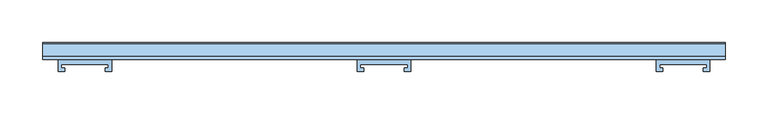
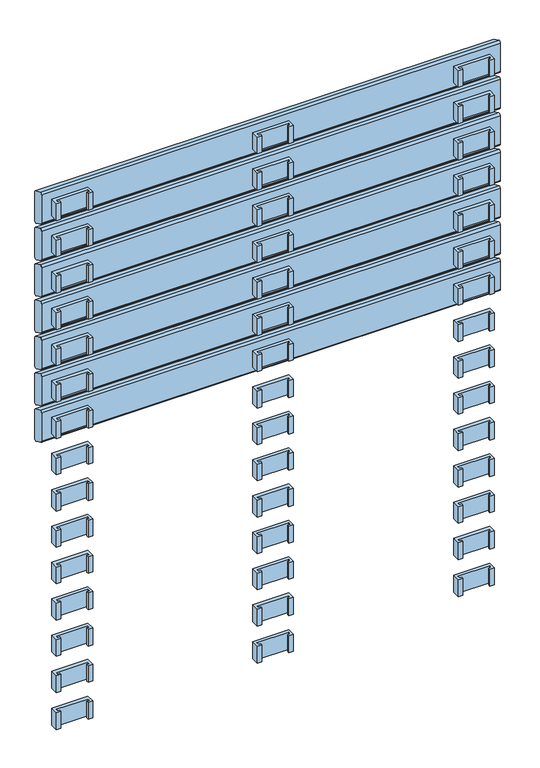
"""IFC4 building model written with IfcOpenShell, lengths in millimetres: window geometry."""

from ifc_helpers import new_model, si_unit, frame, origin, place, context, project, spatial, polyline, circle_curve, outline, extrude, source, transform, mapped, element, save
from ifc_brep_helpers import plane_surface, cylinder_surface, advanced_brep


def window_19161cb4(model_context):
    return source(origin(), model_context, "Body", "SolidModel", [
        extrude(outline(polyline([(-27.5936804, 54.2), (-27.5936804, 50.0), (-23.5936804, 50.0), (-23.5936804, 46.2), (-31.5, 46.2), (-31.5, 60.1), (31.5, 60.1), (31.5, 46.2), (23.5936804, 46.2), (23.5936804, 50.0), (27.5936804, 50.0), (27.5936804, 54.2), (-27.5936804, 54.2)])), frame((0.0, 0.0, 1057.0), z_axis=(0.0, 0.0, 1.0), x_axis=(1.0, 0.0, 0.0)), (0.0, 0.0, 1.0), 31.0),
        extrude(outline(polyline([(-322.9063196, 54.1), (-378.0936804, 54.1), (-378.0936804, 49.9), (-374.0936804, 49.9), (-374.0936804, 46.1), (-382.0, 46.1), (-382.0, 60.0), (-319.0, 60.0), (-319.0, 46.1), (-326.9063196, 46.1), (-326.9063196, 49.9), (-322.9063196, 49.9), (-322.9063196, 54.1)])), frame((0.0, 0.0, 1057.0), z_axis=(0.0, 0.0, 1.0), x_axis=(1.0, 0.0, 0.0)), (0.0, 0.0, 1.0), 31.0),
        extrude(outline(polyline([(322.9063196, 54.1), (322.9063196, 49.9), (326.9063196, 49.9), (326.9063196, 46.1), (319.0, 46.1), (319.0, 60.0), (382.0, 60.0), (382.0, 46.1), (374.0936804, 46.1), (374.0936804, 49.9), (378.0936804, 49.9), (378.0936804, 54.1), (322.9063196, 54.1)])), frame((0.0, 0.0, 1057.0), z_axis=(0.0, 0.0, 1.0), x_axis=(1.0, 0.0, 0.0)), (0.0, 0.0, 1.0), 31.0),
        extrude(outline(polyline([(-27.5936804, 54.2), (-27.5936804, 50.0), (-23.5936804, 50.0), (-23.5936804, 46.2), (-31.5, 46.2), (-31.5, 60.1), (31.5, 60.1), (31.5, 46.2), (23.5936804, 46.2), (23.5936804, 50.0), (27.5936804, 50.0), (27.5936804, 54.2), (-27.5936804, 54.2)])), frame((0.0, 0.0, 990.0), z_axis=(0.0, 0.0, 1.0), x_axis=(1.0, 0.0, 0.0)), (0.0, 0.0, 1.0), 31.0),
        extrude(outline(polyline([(-322.9063196, 54.1), (-378.0936804, 54.1), (-378.0936804, 49.9), (-374.0936804, 49.9), (-374.0936804, 46.1), (-382.0, 46.1), (-382.0, 60.0), (-319.0, 60.0), (-319.0, 46.1), (-326.9063196, 46.1), (-326.9063196, 49.9), (-322.9063196, 49.9), (-322.9063196, 54.1)])), frame((0.0, 0.0, 990.0), z_axis=(0.0, 0.0, 1.0), x_axis=(1.0, 0.0, 0.0)), (0.0, 0.0, 1.0), 31.0),
        extrude(outline(polyline([(322.9063196, 54.1), (322.9063196, 49.9), (326.9063196, 49.9), (326.9063196, 46.1), (319.0, 46.1), (319.0, 60.0), (382.0, 60.0), (382.0, 46.1), (374.0936804, 46.1), (374.0936804, 49.9), (378.0936804, 49.9), (378.0936804, 54.1), (322.9063196, 54.1)])), frame((0.0, 0.0, 990.0), z_axis=(0.0, 0.0, 1.0), x_axis=(1.0, 0.0, 0.0)), (0.0, 0.0, 1.0), 31.0),
        extrude(outline(polyline([(-27.5936804, 54.2), (-27.5936804, 50.0), (-23.5936804, 50.0), (-23.5936804, 46.2), (-31.5, 46.2), (-31.5, 60.1), (31.5, 60.1), (31.5, 46.2), (23.5936804, 46.2), (23.5936804, 50.0), (27.5936804, 50.0), (27.5936804, 54.2), (-27.5936804, 54.2)])), frame((0.0, 0.0, 923.0), z_axis=(0.0, 0.0, 1.0), x_axis=(1.0, 0.0, 0.0)), (0.0, 0.0, 1.0), 31.0),
        extrude(outline(polyline([(-322.9063196, 54.1), (-378.0936804, 54.1), (-378.0936804, 49.9), (-374.0936804, 49.9), (-374.0936804, 46.1), (-382.0, 46.1), (-382.0, 60.0), (-319.0, 60.0), (-319.0, 46.1), (-326.9063196, 46.1), (-326.9063196, 49.9), (-322.9063196, 49.9), (-322.9063196, 54.1)])), frame((0.0, 0.0, 923.0), z_axis=(0.0, 0.0, 1.0), x_axis=(1.0, 0.0, 0.0)), (0.0, 0.0, 1.0), 31.0),
        extrude(outline(polyline([(322.9063196, 54.1), (322.9063196, 49.9), (326.9063196, 49.9), (326.9063196, 46.1), (319.0, 46.1), (319.0, 60.0), (382.0, 60.0), (382.0, 46.1), (374.0936804, 46.1), (374.0936804, 49.9), (378.0936804, 49.9), (378.0936804, 54.1), (322.9063196, 54.1)])), frame((0.0, 0.0, 923.0), z_axis=(0.0, 0.0, 1.0), x_axis=(1.0, 0.0, 0.0)), (0.0, 0.0, 1.0), 31.0),
        extrude(outline(polyline([(-27.5936804, 54.2), (-27.5936804, 50.0), (-23.5936804, 50.0), (-23.5936804, 46.2), (-31.5, 46.2), (-31.5, 60.1), (31.5, 60.1), (31.5, 46.2), (23.5936804, 46.2), (23.5936804, 50.0), (27.5936804, 50.0), (27.5936804, 54.2), (-27.5936804, 54.2)])), frame((0.0, 0.0, 856.0), z_axis=(0.0, 0.0, 1.0), x_axis=(1.0, 0.0, 0.0)), (0.0, 0.0, 1.0), 31.0),
        extrude(outline(polyline([(-322.9063196, 54.1), (-378.0936804, 54.1), (-378.0936804, 49.9), (-374.0936804, 49.9), (-374.0936804, 46.1), (-382.0, 46.1), (-382.0, 60.0), (-319.0, 60.0), (-319.0, 46.1), (-326.9063196, 46.1), (-326.9063196, 49.9), (-322.9063196, 49.9), (-322.9063196, 54.1)])), frame((0.0, 0.0, 856.0), z_axis=(0.0, 0.0, 1.0), x_axis=(1.0, 0.0, 0.0)), (0.0, 0.0, 1.0), 31.0),
        extrude(outline(polyline([(322.9063196, 54.1), (322.9063196, 49.9), (326.9063196, 49.9), (326.9063196, 46.1), (319.0, 46.1), (319.0, 60.0), (382.0, 60.0), (382.0, 46.1), (374.0936804, 46.1), (374.0936804, 49.9), (378.0936804, 49.9), (378.0936804, 54.1), (322.9063196, 54.1)])), frame((0.0, 0.0, 856.0), z_axis=(0.0, 0.0, 1.0), x_axis=(1.0, 0.0, 0.0)), (0.0, 0.0, 1.0), 31.0),
        extrude(outline(polyline([(-27.5936804, 54.2), (-27.5936804, 50.0), (-23.5936804, 50.0), (-23.5936804, 46.2), (-31.5, 46.2), (-31.5, 60.1), (31.5, 60.1), (31.5, 46.2), (23.5936804, 46.2), (23.5936804, 50.0), (27.5936804, 50.0), (27.5936804, 54.2), (-27.5936804, 54.2)])), frame((0.0, 0.0, 789.0), z_axis=(0.0, 0.0, 1.0), x_axis=(1.0, 0.0, 0.0)), (0.0, 0.0, 1.0), 31.0),
        extrude(outline(polyline([(-322.9063196, 54.1), (-378.0936804, 54.1), (-378.0936804, 49.9), (-374.0936804, 49.9), (-374.0936804, 46.1), (-382.0, 46.1), (-382.0, 60.0), (-319.0, 60.0), (-319.0, 46.1), (-326.9063196, 46.1), (-326.9063196, 49.9), (-322.9063196, 49.9), (-322.9063196, 54.1)])), frame((0.0, 0.0, 789.0), z_axis=(0.0, 0.0, 1.0), x_axis=(1.0, 0.0, 0.0)), (0.0, 0.0, 1.0), 31.0),
        extrude(outline(polyline([(322.9063196, 54.1), (322.9063196, 49.9), (326.9063196, 49.9), (326.9063196, 46.1), (319.0, 46.1), (319.0, 60.0), (382.0, 60.0), (382.0, 46.1), (374.0936804, 46.1), (374.0936804, 49.9), (378.0936804, 49.9), (378.0936804, 54.1), (322.9063196, 54.1)])), frame((0.0, 0.0, 789.0), z_axis=(0.0, 0.0, 1.0), x_axis=(1.0, 0.0, 0.0)), (0.0, 0.0, 1.0), 31.0),
        extrude(outline(polyline([(-27.5936804, 54.2), (-27.5936804, 50.0), (-23.5936804, 50.0), (-23.5936804, 46.2), (-31.5, 46.2), (-31.5, 60.1), (31.5, 60.1), (31.5, 46.2), (23.5936804, 46.2), (23.5936804, 50.0), (27.5936804, 50.0), (27.5936804, 54.2), (-27.5936804, 54.2)])), frame((0.0, 0.0, 722.0), z_axis=(0.0, 0.0, 1.0), x_axis=(1.0, 0.0, 0.0)), (0.0, 0.0, 1.0), 31.0),
        extrude(outline(polyline([(-322.9063196, 54.1), (-378.0936804, 54.1), (-378.0936804, 49.9), (-374.0936804, 49.9), (-374.0936804, 46.1), (-382.0, 46.1), (-382.0, 60.0), (-319.0, 60.0), (-319.0, 46.1), (-326.9063196, 46.1), (-326.9063196, 49.9), (-322.9063196, 49.9), (-322.9063196, 54.1)])), frame((0.0, 0.0, 722.0), z_axis=(0.0, 0.0, 1.0), x_axis=(1.0, 0.0, 0.0)), (0.0, 0.0, 1.0), 31.0),
        extrude(outline(polyline([(322.9063196, 54.1), (322.9063196, 49.9), (326.9063196, 49.9), (326.9063196, 46.1), (319.0, 46.1), (319.0, 60.0), (382.0, 60.0), (382.0, 46.1), (374.0936804, 46.1), (374.0936804, 49.9), (378.0936804, 49.9), (378.0936804, 54.1), (322.9063196, 54.1)])), frame((0.0, 0.0, 722.0), z_axis=(0.0, 0.0, 1.0), x_axis=(1.0, 0.0, 0.0)), (0.0, 0.0, 1.0), 31.0),
        extrude(outline(polyline([(-27.5936804, 54.2), (-27.5936804, 50.0), (-23.5936804, 50.0), (-23.5936804, 46.2), (-31.5, 46.2), (-31.5, 60.1), (31.5, 60.1), (31.5, 46.2), (23.5936804, 46.2), (23.5936804, 50.0), (27.5936804, 50.0), (27.5936804, 54.2), (-27.5936804, 54.2)])), frame((0.0, 0.0, 655.0), z_axis=(0.0, 0.0, 1.0), x_axis=(1.0, 0.0, 0.0)), (0.0, 0.0, 1.0), 31.0),
        extrude(outline(polyline([(-322.9063196, 54.1), (-378.0936804, 54.1), (-378.0936804, 49.9), (-374.0936804, 49.9), (-374.0936804, 46.1), (-382.0, 46.1), (-382.0, 60.0), (-319.0, 60.0), (-319.0, 46.1), (-326.9063196, 46.1), (-326.9063196, 49.9), (-322.9063196, 49.9), (-322.9063196, 54.1)])), frame((0.0, 0.0, 655.0), z_axis=(0.0, 0.0, 1.0), x_axis=(1.0, 0.0, 0.0)), (0.0, 0.0, 1.0), 31.0),
        extrude(outline(polyline([(322.9063196, 54.1), (322.9063196, 49.9), (326.9063196, 49.9), (326.9063196, 46.1), (319.0, 46.1), (319.0, 60.0), (382.0, 60.0), (382.0, 46.1), (374.0936804, 46.1), (374.0936804, 49.9), (378.0936804, 49.9), (378.0936804, 54.1), (322.9063196, 54.1)])), frame((0.0, 0.0, 655.0), z_axis=(0.0, 0.0, 1.0), x_axis=(1.0, 0.0, 0.0)), (0.0, 0.0, 1.0), 31.0),
        extrude(outline(polyline([(-27.5936804, 54.2), (-27.5936804, 50.0), (-23.5936804, 50.0), (-23.5936804, 46.2), (-31.5, 46.2), (-31.5, 60.1), (31.5, 60.1), (31.5, 46.2), (23.5936804, 46.2), (23.5936804, 50.0), (27.5936804, 50.0), (27.5936804, 54.2), (-27.5936804, 54.2)])), frame((0.0, 0.0, 588.0), z_axis=(0.0, 0.0, 1.0), x_axis=(1.0, 0.0, 0.0)), (0.0, 0.0, 1.0), 31.0),
        extrude(outline(polyline([(-322.9063196, 54.1), (-378.0936804, 54.1), (-378.0936804, 49.9), (-374.0936804, 49.9), (-374.0936804, 46.1), (-382.0, 46.1), (-382.0, 60.0), (-319.0, 60.0), (-319.0, 46.1), (-326.9063196, 46.1), (-326.9063196, 49.9), (-322.9063196, 49.9), (-322.9063196, 54.1)])), frame((0.0, 0.0, 588.0), z_axis=(0.0, 0.0, 1.0), x_axis=(1.0, 0.0, 0.0)), (0.0, 0.0, 1.0), 31.0),
        extrude(outline(polyline([(322.9063196, 54.1), (322.9063196, 49.9), (326.9063196, 49.9), (326.9063196, 46.1), (319.0, 46.1), (319.0, 60.0), (382.0, 60.0), (382.0, 46.1), (374.0936804, 46.1), (374.0936804, 49.9), (378.0936804, 49.9), (378.0936804, 54.1), (322.9063196, 54.1)])), frame((0.0, 0.0, 588.0), z_axis=(0.0, 0.0, 1.0), x_axis=(1.0, 0.0, 0.0)), (0.0, 0.0, 1.0), 31.0),
        extrude(outline(polyline([(-27.5936804, 54.2), (-27.5936804, 50.0), (-23.5936804, 50.0), (-23.5936804, 46.2), (-31.5, 46.2), (-31.5, 60.1), (31.5, 60.1), (31.5, 46.2), (23.5936804, 46.2), (23.5936804, 50.0), (27.5936804, 50.0), (27.5936804, 54.2), (-27.5936804, 54.2)])), frame((0.0, 0.0, 521.0), z_axis=(0.0, 0.0, 1.0), x_axis=(1.0, 0.0, 0.0)), (0.0, 0.0, 1.0), 31.0),
        extrude(outline(polyline([(-322.9063196, 54.1), (-378.0936804, 54.1), (-378.0936804, 49.9), (-374.0936804, 49.9), (-374.0936804, 46.1), (-382.0, 46.1), (-382.0, 60.0), (-319.0, 60.0), (-319.0, 46.1), (-326.9063196, 46.1), (-326.9063196, 49.9), (-322.9063196, 49.9), (-322.9063196, 54.1)])), frame((0.0, 0.0, 521.0), z_axis=(0.0, 0.0, 1.0), x_axis=(1.0, 0.0, 0.0)), (0.0, 0.0, 1.0), 31.0),
        extrude(outline(polyline([(322.9063196, 54.1), (322.9063196, 49.9), (326.9063196, 49.9), (326.9063196, 46.1), (319.0, 46.1), (319.0, 60.0), (382.0, 60.0), (382.0, 46.1), (374.0936804, 46.1), (374.0936804, 49.9), (378.0936804, 49.9), (378.0936804, 54.1), (322.9063196, 54.1)])), frame((0.0, 0.0, 521.0), z_axis=(0.0, 0.0, 1.0), x_axis=(1.0, 0.0, 0.0)), (0.0, 0.0, 1.0), 31.0),
        extrude(outline(polyline([(-27.5936804, 54.2), (-27.5936804, 50.0), (-23.5936804, 50.0), (-23.5936804, 46.2), (-31.5, 46.2), (-31.5, 60.1), (31.5, 60.1), (31.5, 46.2), (23.5936804, 46.2), (23.5936804, 50.0), (27.5936804, 50.0), (27.5936804, 54.2), (-27.5936804, 54.2)])), frame((0.0, 0.0, 454.0), z_axis=(0.0, 0.0, 1.0), x_axis=(1.0, 0.0, 0.0)), (0.0, 0.0, 1.0), 31.0),
        extrude(outline(polyline([(-322.9063196, 54.1), (-378.0936804, 54.1), (-378.0936804, 49.9), (-374.0936804, 49.9), (-374.0936804, 46.1), (-382.0, 46.1), (-382.0, 60.0), (-319.0, 60.0), (-319.0, 46.1), (-326.9063196, 46.1), (-326.9063196, 49.9), (-322.9063196, 49.9), (-322.9063196, 54.1)])), frame((0.0, 0.0, 454.0), z_axis=(0.0, 0.0, 1.0), x_axis=(1.0, 0.0, 0.0)), (0.0, 0.0, 1.0), 31.0),
        extrude(outline(polyline([(322.9063196, 54.1), (322.9063196, 49.9), (326.9063196, 49.9), (326.9063196, 46.1), (319.0, 46.1), (319.0, 60.0), (382.0, 60.0), (382.0, 46.1), (374.0936804, 46.1), (374.0936804, 49.9), (378.0936804, 49.9), (378.0936804, 54.1), (322.9063196, 54.1)])), frame((0.0, 0.0, 454.0), z_axis=(0.0, 0.0, 1.0), x_axis=(1.0, 0.0, 0.0)), (0.0, 0.0, 1.0), 31.0),
        extrude(outline(polyline([(-27.5936804, 54.2), (-27.5936804, 50.0), (-23.5936804, 50.0), (-23.5936804, 46.2), (-31.5, 46.2), (-31.5, 60.1), (31.5, 60.1), (31.5, 46.2), (23.5936804, 46.2), (23.5936804, 50.0), (27.5936804, 50.0), (27.5936804, 54.2), (-27.5936804, 54.2)])), frame((0.0, 0.0, 387.0), z_axis=(0.0, 0.0, 1.0), x_axis=(1.0, 0.0, 0.0)), (0.0, 0.0, 1.0), 31.0),
        extrude(outline(polyline([(-322.9063196, 54.1), (-378.0936804, 54.1), (-378.0936804, 49.9), (-374.0936804, 49.9), (-374.0936804, 46.1), (-382.0, 46.1), (-382.0, 60.0), (-319.0, 60.0), (-319.0, 46.1), (-326.9063196, 46.1), (-326.9063196, 49.9), (-322.9063196, 49.9), (-322.9063196, 54.1)])), frame((0.0, 0.0, 387.0), z_axis=(0.0, 0.0, 1.0), x_axis=(1.0, 0.0, 0.0)), (0.0, 0.0, 1.0), 31.0),
        extrude(outline(polyline([(322.9063196, 54.1), (322.9063196, 49.9), (326.9063196, 49.9), (326.9063196, 46.1), (319.0, 46.1), (319.0, 60.0), (382.0, 60.0), (382.0, 46.1), (374.0936804, 46.1), (374.0936804, 49.9), (378.0936804, 49.9), (378.0936804, 54.1), (322.9063196, 54.1)])), frame((0.0, 0.0, 387.0), z_axis=(0.0, 0.0, 1.0), x_axis=(1.0, 0.0, 0.0)), (0.0, 0.0, 1.0), 31.0),
        extrude(outline(polyline([(-27.5936804, 54.2), (-27.5936804, 50.0), (-23.5936804, 50.0), (-23.5936804, 46.2), (-31.5, 46.2), (-31.5, 60.1), (31.5, 60.1), (31.5, 46.2), (23.5936804, 46.2), (23.5936804, 50.0), (27.5936804, 50.0), (27.5936804, 54.2), (-27.5936804, 54.2)])), frame((0.0, 0.0, 320.0), z_axis=(0.0, 0.0, 1.0), x_axis=(1.0, 0.0, 0.0)), (0.0, 0.0, 1.0), 31.0),
        extrude(outline(polyline([(-322.9063196, 54.1), (-378.0936804, 54.1), (-378.0936804, 49.9), (-374.0936804, 49.9), (-374.0936804, 46.1), (-382.0, 46.1), (-382.0, 60.0), (-319.0, 60.0), (-319.0, 46.1), (-326.9063196, 46.1), (-326.9063196, 49.9), (-322.9063196, 49.9), (-322.9063196, 54.1)])), frame((0.0, 0.0, 320.0), z_axis=(0.0, 0.0, 1.0), x_axis=(1.0, 0.0, 0.0)), (0.0, 0.0, 1.0), 31.0),
        extrude(outline(polyline([(322.9063196, 54.1), (322.9063196, 49.9), (326.9063196, 49.9), (326.9063196, 46.1), (319.0, 46.1), (319.0, 60.0), (382.0, 60.0), (382.0, 46.1), (374.0936804, 46.1), (374.0936804, 49.9), (378.0936804, 49.9), (378.0936804, 54.1), (322.9063196, 54.1)])), frame((0.0, 0.0, 320.0), z_axis=(0.0, 0.0, 1.0), x_axis=(1.0, 0.0, 0.0)), (0.0, 0.0, 1.0), 31.0),
        extrude(outline(polyline([(-27.5936804, 54.2), (-27.5936804, 50.0), (-23.5936804, 50.0), (-23.5936804, 46.2), (-31.5, 46.2), (-31.5, 60.1), (31.5, 60.1), (31.5, 46.2), (23.5936804, 46.2), (23.5936804, 50.0), (27.5936804, 50.0), (27.5936804, 54.2), (-27.5936804, 54.2)])), frame((0.0, 0.0, 253.0), z_axis=(0.0, 0.0, 1.0), x_axis=(1.0, 0.0, 0.0)), (0.0, 0.0, 1.0), 31.0),
        extrude(outline(polyline([(-322.9063196, 54.1), (-378.0936804, 54.1), (-378.0936804, 49.9), (-374.0936804, 49.9), (-374.0936804, 46.1), (-382.0, 46.1), (-382.0, 60.0), (-319.0, 60.0), (-319.0, 46.1), (-326.9063196, 46.1), (-326.9063196, 49.9), (-322.9063196, 49.9), (-322.9063196, 54.1)])), frame((0.0, 0.0, 253.0), z_axis=(0.0, 0.0, 1.0), x_axis=(1.0, 0.0, 0.0)), (0.0, 0.0, 1.0), 31.0),
        extrude(outline(polyline([(322.9063196, 54.1), (322.9063196, 49.9), (326.9063196, 49.9), (326.9063196, 46.1), (319.0, 46.1), (319.0, 60.0), (382.0, 60.0), (382.0, 46.1), (374.0936804, 46.1), (374.0936804, 49.9), (378.0936804, 49.9), (378.0936804, 54.1), (322.9063196, 54.1)])), frame((0.0, 0.0, 253.0), z_axis=(0.0, 0.0, 1.0), x_axis=(1.0, 0.0, 0.0)), (0.0, 0.0, 1.0), 31.0),
        extrude(outline(polyline([(-27.5936804, 54.2), (-27.5936804, 50.0), (-23.5936804, 50.0), (-23.5936804, 46.2), (-31.5, 46.2), (-31.5, 60.1), (31.5, 60.1), (31.5, 46.2), (23.5936804, 46.2), (23.5936804, 50.0), (27.5936804, 50.0), (27.5936804, 54.2), (-27.5936804, 54.2)])), frame((0.0, 0.0, 186.0), z_axis=(0.0, 0.0, 1.0), x_axis=(1.0, 0.0, 0.0)), (0.0, 0.0, 1.0), 31.0),
        extrude(outline(polyline([(-322.9063196, 54.1), (-378.0936804, 54.1), (-378.0936804, 49.9), (-374.0936804, 49.9), (-374.0936804, 46.1), (-382.0, 46.1), (-382.0, 60.0), (-319.0, 60.0), (-319.0, 46.1), (-326.9063196, 46.1), (-326.9063196, 49.9), (-322.9063196, 49.9), (-322.9063196, 54.1)])), frame((0.0, 0.0, 186.0), z_axis=(0.0, 0.0, 1.0), x_axis=(1.0, 0.0, 0.0)), (0.0, 0.0, 1.0), 31.0),
        extrude(outline(polyline([(322.9063196, 54.1), (322.9063196, 49.9), (326.9063196, 49.9), (326.9063196, 46.1), (319.0, 46.1), (319.0, 60.0), (382.0, 60.0), (382.0, 46.1), (374.0936804, 46.1), (374.0936804, 49.9), (378.0936804, 49.9), (378.0936804, 54.1), (322.9063196, 54.1)])), frame((0.0, 0.0, 186.0), z_axis=(0.0, 0.0, 1.0), x_axis=(1.0, 0.0, 0.0)), (0.0, 0.0, 1.0), 31.0),
        extrude(outline(polyline([(-27.5936804, 54.2), (-27.5936804, 50.0), (-23.5936804, 50.0), (-23.5936804, 46.2), (-31.5, 46.2), (-31.5, 60.1), (31.5, 60.1), (31.5, 46.2), (23.5936804, 46.2), (23.5936804, 50.0), (27.5936804, 50.0), (27.5936804, 54.2), (-27.5936804, 54.2)])), frame((0.0, 0.0, 118.0), z_axis=(0.0, 0.0, 1.0), x_axis=(1.0, 0.0, 0.0)), (0.0, 0.0, 1.0), 31.0),
        extrude(outline(polyline([(-322.9063196, 54.1), (-378.0936804, 54.1), (-378.0936804, 49.9), (-374.0936804, 49.9), (-374.0936804, 46.1), (-382.0, 46.1), (-382.0, 60.0), (-319.0, 60.0), (-319.0, 46.1), (-326.9063196, 46.1), (-326.9063196, 49.9), (-322.9063196, 49.9), (-322.9063196, 54.1)])), frame((0.0, 0.0, 118.0), z_axis=(0.0, 0.0, 1.0), x_axis=(1.0, 0.0, 0.0)), (0.0, 0.0, 1.0), 31.0),
        extrude(outline(polyline([(322.9063196, 54.1), (322.9063196, 49.9), (326.9063196, 49.9), (326.9063196, 46.1), (319.0, 46.1), (319.0, 60.0), (382.0, 60.0), (382.0, 46.1), (374.0936804, 46.1), (374.0936804, 49.9), (378.0936804, 49.9), (378.0936804, 54.1), (322.9063196, 54.1)])), frame((0.0, 0.0, 118.0), z_axis=(0.0, 0.0, 1.0), x_axis=(1.0, 0.0, 0.0)), (0.0, 0.0, 1.0), 31.0),
        advanced_brep(
        [(400.0, 60.0028013, 1049.5270549), (400.0, 61.7349465, 1046.8081315), (400.0, 75.7322609, 1040.2810766), (400.0, 80.0, 1042.9736586), (400.0, 80.0, 1095.574129), (400.0, 78.9038327, 1097.8926244), (400.0, 64.1873858, 1104.7550163), (400.0, 60.0, 1102.0), (-400.0, 60.0, 1049.5270549), (-400.0, 60.0, 1102.0), (-400.0, 64.1873858, 1104.7550163), (-400.0, 78.9038327, 1097.8926244), (-400.0, 80.0, 1095.574129), (-400.0, 80.0, 1042.9736586), (-400.0, 75.7322609, 1040.2810766), (-400.0, 61.7349465, 1046.8081315)],
        [
            (0, 1, circle_curve(frame((400.0, 63.0028013, 1049.5270549), z_axis=(1.0, 0.0, 0.0), x_axis=(0.0, -0.422245314833475, -0.9064816016341312)), 3.0)),
            (1, 2),
            (2, 3, circle_curve(frame((400.0, 77.0001156, 1043.0), z_axis=(1.0, 0.0, 0.0), x_axis=(0.0, 1.0, 0.0)), 3.0)),
            (3, 4),
            (4, 5, circle_curve(frame((400.0, 77.0, 1095.574129), z_axis=(1.0, 0.0, 0.0), x_axis=(0.0, 0.4172998244673827, 0.908768868579625)), 3.0)),
            (5, 6),
            (6, 7, circle_curve(frame((400.0, 63.0, 1102.0), z_axis=(1.0, 0.0, 0.0), x_axis=(0.0, -1.0, 0.0)), 3.0)),
            (7, 0),
            (8, 9),
            (9, 10, circle_curve(frame((-400.0, 63.0, 1102.0), z_axis=(-1.0, 0.0, 0.0), x_axis=(0.0, -1.0, 0.0)), 3.0)),
            (10, 11),
            (11, 12, circle_curve(frame((-400.0, 77.0, 1095.574129), z_axis=(-1.0, 0.0, 0.0), x_axis=(0.0, 0.4172998244673827, 0.908768868579625)), 3.0)),
            (12, 13),
            (13, 14, circle_curve(frame((-400.0, 77.0001156, 1043.0), z_axis=(-1.0, 0.0, 0.0), x_axis=(0.0, 1.0, 0.0)), 3.0)),
            (14, 15),
            (15, 8, circle_curve(frame((-400.0, 63.0028013, 1049.5270549), z_axis=(-1.0, 0.0, 0.0), x_axis=(0.0, -0.422245314833475, -0.9064816016341312)), 3.0)),
            (0, 8),
            (15, 1),
            (14, 2),
            (13, 3),
            (12, 4),
            (11, 5),
            (10, 6),
            (9, 7),
        ],
        [
            plane_surface(frame((400.0, 100.0, 1072.5), z_axis=(1.0, 0.0, 0.0), x_axis=(0.0, 0.0, 1.0))),
            plane_surface(frame((-400.0, 100.0, 1072.5), z_axis=(-1.0, 0.0, 0.0), x_axis=(0.0, 0.0, 1.0))),
            cylinder_surface(frame((400.0, 63.0028013, 1049.5270549), z_axis=(1.0, 0.0, 0.0), x_axis=(0.0, -0.422245314833475, -0.9064816016341312)), 3.0),
            plane_surface(frame((400.0, 61.7349465, 1046.8081315), z_axis=(0.0, -0.4226182617407, -0.9063077870366497), x_axis=(-1.0, 0.0, 0.0))),
            cylinder_surface(frame((400.0, 77.0001156, 1043.0), z_axis=(1.0, 0.0, 0.0), x_axis=(0.0, 1.0, 0.0)), 3.0),
            plane_surface(frame((400.0, 80.0, 1042.9736586), z_axis=(0.0, 1.0, 0.0), x_axis=(-1.0, 0.0, 0.0))),
            cylinder_surface(frame((400.0, 77.0, 1095.574129), z_axis=(1.0000000000000002, 0.0, 0.0), x_axis=(0.0, 0.4172998244673827, 0.908768868579625)), 3.0),
            plane_surface(frame((400.0, 78.9038327, 1097.8926244), z_axis=(0.0, 0.4226182617406934, 0.9063077870366529), x_axis=(-1.0, 0.0, 0.0))),
            cylinder_surface(frame((400.0, 63.0, 1102.0), z_axis=(1.0, 0.0, 0.0), x_axis=(0.0, -1.0, 0.0)), 3.0),
            plane_surface(frame((400.0, 60.0, 1102.0), z_axis=(0.0, -1.0, 0.0), x_axis=(-1.0, 0.0, 0.0))),
        ],
        [
            (0, [[1, 2, 3, 4, 5, 6, 7, 8]]),
            (1, [[9, 10, 11, 12, 13, 14, 15, 16]]),
            (2, [[-1, 17, -16, 18]]),
            (3, [[-2, -18, -15, 19]]),
            (4, [[-3, -19, -14, 20]]),
            (5, [[-4, -20, -13, 21]]),
            (6, [[-5, -21, -12, 22]]),
            (7, [[-6, -22, -11, 23]]),
            (8, [[-7, -23, -10, 24]]),
            (9, [[-8, -24, -9, -17]]),
        ],
    ),
        advanced_brep(
        [(400.0, 60.0028013, 982.5270549), (400.0, 61.7349465, 979.8081315), (400.0, 75.7322609, 973.2810766), (400.0, 80.0, 975.9736586), (400.0, 80.0, 1028.574129), (400.0, 78.9038327, 1030.8926244), (400.0, 64.1873858, 1037.7550163), (400.0, 60.0, 1035.0), (-400.0, 60.0, 982.5270549), (-400.0, 60.0, 1035.0), (-400.0, 64.1873858, 1037.7550163), (-400.0, 78.9038327, 1030.8926244), (-400.0, 80.0, 1028.574129), (-400.0, 80.0, 975.9736586), (-400.0, 75.7322609, 973.2810766), (-400.0, 61.7349465, 979.8081315)],
        [
            (0, 1, circle_curve(frame((400.0, 63.0028013, 982.5270549), z_axis=(1.0, 0.0, 0.0), x_axis=(0.0, -0.422245314833475, -0.9064816016341312)), 3.0)),
            (1, 2),
            (2, 3, circle_curve(frame((400.0, 77.0001156, 976.0), z_axis=(1.0, 0.0, 0.0), x_axis=(0.0, 1.0, 0.0)), 3.0)),
            (3, 4),
            (4, 5, circle_curve(frame((400.0, 77.0, 1028.574129), z_axis=(1.0, 0.0, 0.0), x_axis=(0.0, 0.4172998244673827, 0.908768868579625)), 3.0)),
            (5, 6),
            (6, 7, circle_curve(frame((400.0, 63.0, 1035.0), z_axis=(1.0, 0.0, 0.0), x_axis=(0.0, -1.0, 0.0)), 3.0)),
            (7, 0),
            (8, 9),
            (9, 10, circle_curve(frame((-400.0, 63.0, 1035.0), z_axis=(-1.0, 0.0, 0.0), x_axis=(0.0, -1.0, 0.0)), 3.0)),
            (10, 11),
            (11, 12, circle_curve(frame((-400.0, 77.0, 1028.574129), z_axis=(-1.0, 0.0, 0.0), x_axis=(0.0, 0.4172998244673827, 0.908768868579625)), 3.0)),
            (12, 13),
            (13, 14, circle_curve(frame((-400.0, 77.0001156, 976.0), z_axis=(-1.0, 0.0, 0.0), x_axis=(0.0, 1.0, 0.0)), 3.0)),
            (14, 15),
            (15, 8, circle_curve(frame((-400.0, 63.0028013, 982.5270549), z_axis=(-1.0, 0.0, 0.0), x_axis=(0.0, -0.422245314833475, -0.9064816016341312)), 3.0)),
            (0, 8),
            (15, 1),
            (14, 2),
            (13, 3),
            (12, 4),
            (11, 5),
            (10, 6),
            (9, 7),
        ],
        [
            plane_surface(frame((400.0, 100.0, 1005.5), z_axis=(1.0, 0.0, 0.0), x_axis=(0.0, 0.0, 1.0))),
            plane_surface(frame((-400.0, 100.0, 1005.5), z_axis=(-1.0, 0.0, 0.0), x_axis=(0.0, 0.0, 1.0))),
            cylinder_surface(frame((400.0, 63.0028013, 982.5270549), z_axis=(1.0, 0.0, 0.0), x_axis=(0.0, -0.422245314833475, -0.9064816016341312)), 3.0),
            plane_surface(frame((400.0, 61.7349465, 979.8081315), z_axis=(0.0, -0.4226182617407, -0.9063077870366497), x_axis=(-1.0, 0.0, 0.0))),
            cylinder_surface(frame((400.0, 77.0001156, 976.0), z_axis=(1.0, 0.0, 0.0), x_axis=(0.0, 1.0, 0.0)), 3.0),
            plane_surface(frame((400.0, 80.0, 975.9736586), z_axis=(0.0, 1.0, 0.0), x_axis=(-1.0, 0.0, 0.0))),
            cylinder_surface(frame((400.0, 77.0, 1028.574129), z_axis=(1.0000000000000002, 0.0, 0.0), x_axis=(0.0, 0.4172998244673827, 0.908768868579625)), 3.0),
            plane_surface(frame((400.0, 78.9038327, 1030.8926244), z_axis=(0.0, 0.4226182617406934, 0.9063077870366529), x_axis=(-1.0, 0.0, 0.0))),
            cylinder_surface(frame((400.0, 63.0, 1035.0), z_axis=(1.0, 0.0, 0.0), x_axis=(0.0, -1.0, 0.0)), 3.0),
            plane_surface(frame((400.0, 60.0, 1035.0), z_axis=(0.0, -1.0, 0.0), x_axis=(-1.0, 0.0, 0.0))),
        ],
        [
            (0, [[1, 2, 3, 4, 5, 6, 7, 8]]),
            (1, [[9, 10, 11, 12, 13, 14, 15, 16]]),
            (2, [[-1, 17, -16, 18]]),
            (3, [[-2, -18, -15, 19]]),
            (4, [[-3, -19, -14, 20]]),
            (5, [[-4, -20, -13, 21]]),
            (6, [[-5, -21, -12, 22]]),
            (7, [[-6, -22, -11, 23]]),
            (8, [[-7, -23, -10, 24]]),
            (9, [[-8, -24, -9, -17]]),
        ],
    ),
        advanced_brep(
        [(400.0, 60.0028013, 915.5270549), (400.0, 61.7349465, 912.8081315), (400.0, 75.7322609, 906.2810766), (400.0, 80.0, 908.9736586), (400.0, 80.0, 961.574129), (400.0, 78.9038327, 963.8926244), (400.0, 64.1873858, 970.7550163), (400.0, 60.0, 968.0), (-400.0, 60.0, 915.5270549), (-400.0, 60.0, 968.0), (-400.0, 64.1873858, 970.7550163), (-400.0, 78.9038327, 963.8926244), (-400.0, 80.0, 961.574129), (-400.0, 80.0, 908.9736586), (-400.0, 75.7322609, 906.2810766), (-400.0, 61.7349465, 912.8081315)],
        [
            (0, 1, circle_curve(frame((400.0, 63.0028013, 915.5270549), z_axis=(1.0, 0.0, 0.0), x_axis=(0.0, -0.422245314833475, -0.9064816016341312)), 3.0)),
            (1, 2),
            (2, 3, circle_curve(frame((400.0, 77.0001156, 909.0), z_axis=(1.0, 0.0, 0.0), x_axis=(0.0, 1.0, 0.0)), 3.0)),
            (3, 4),
            (4, 5, circle_curve(frame((400.0, 77.0, 961.574129), z_axis=(1.0, 0.0, 0.0), x_axis=(0.0, 0.4172998244673827, 0.908768868579625)), 3.0)),
            (5, 6),
            (6, 7, circle_curve(frame((400.0, 63.0, 968.0), z_axis=(1.0, 0.0, 0.0), x_axis=(0.0, -1.0, 0.0)), 3.0)),
            (7, 0),
            (8, 9),
            (9, 10, circle_curve(frame((-400.0, 63.0, 968.0), z_axis=(-1.0, 0.0, 0.0), x_axis=(0.0, -1.0, 0.0)), 3.0)),
            (10, 11),
            (11, 12, circle_curve(frame((-400.0, 77.0, 961.574129), z_axis=(-1.0, 0.0, 0.0), x_axis=(0.0, 0.4172998244673827, 0.908768868579625)), 3.0)),
            (12, 13),
            (13, 14, circle_curve(frame((-400.0, 77.0001156, 909.0), z_axis=(-1.0, 0.0, 0.0), x_axis=(0.0, 1.0, 0.0)), 3.0)),
            (14, 15),
            (15, 8, circle_curve(frame((-400.0, 63.0028013, 915.5270549), z_axis=(-1.0, 0.0, 0.0), x_axis=(0.0, -0.422245314833475, -0.9064816016341312)), 3.0)),
            (0, 8),
            (15, 1),
            (14, 2),
            (13, 3),
            (12, 4),
            (11, 5),
            (10, 6),
            (9, 7),
        ],
        [
            plane_surface(frame((400.0, 100.0, 938.5), z_axis=(1.0, 0.0, 0.0), x_axis=(0.0, 0.0, 1.0))),
            plane_surface(frame((-400.0, 100.0, 938.5), z_axis=(-1.0, 0.0, 0.0), x_axis=(0.0, 0.0, 1.0))),
            cylinder_surface(frame((400.0, 63.0028013, 915.5270549), z_axis=(1.0, 0.0, 0.0), x_axis=(0.0, -0.422245314833475, -0.9064816016341312)), 3.0),
            plane_surface(frame((400.0, 61.7349465, 912.8081315), z_axis=(0.0, -0.4226182617407, -0.9063077870366497), x_axis=(-1.0, 0.0, 0.0))),
            cylinder_surface(frame((400.0, 77.0001156, 909.0), z_axis=(1.0, 0.0, 0.0), x_axis=(0.0, 1.0, 0.0)), 3.0),
            plane_surface(frame((400.0, 80.0, 908.9736586), z_axis=(0.0, 1.0, 0.0), x_axis=(-1.0, 0.0, 0.0))),
            cylinder_surface(frame((400.0, 77.0, 961.574129), z_axis=(1.0000000000000002, 0.0, 0.0), x_axis=(0.0, 0.4172998244673827, 0.908768868579625)), 3.0),
            plane_surface(frame((400.0, 78.9038327, 963.8926244), z_axis=(0.0, 0.4226182617406934, 0.9063077870366529), x_axis=(-1.0, 0.0, 0.0))),
            cylinder_surface(frame((400.0, 63.0, 968.0), z_axis=(1.0, 0.0, 0.0), x_axis=(0.0, -1.0, 0.0)), 3.0),
            plane_surface(frame((400.0, 60.0, 968.0), z_axis=(0.0, -1.0, 0.0), x_axis=(-1.0, 0.0, 0.0))),
        ],
        [
            (0, [[1, 2, 3, 4, 5, 6, 7, 8]]),
            (1, [[9, 10, 11, 12, 13, 14, 15, 16]]),
            (2, [[-1, 17, -16, 18]]),
            (3, [[-2, -18, -15, 19]]),
            (4, [[-3, -19, -14, 20]]),
            (5, [[-4, -20, -13, 21]]),
            (6, [[-5, -21, -12, 22]]),
            (7, [[-6, -22, -11, 23]]),
            (8, [[-7, -23, -10, 24]]),
            (9, [[-8, -24, -9, -17]]),
        ],
    ),
        advanced_brep(
        [(400.0, 60.0028013, 848.5270549), (400.0, 61.7349465, 845.8081315), (400.0, 75.7322609, 839.2810766), (400.0, 80.0, 841.9736586), (400.0, 80.0, 894.574129), (400.0, 78.9038327, 896.8926244), (400.0, 64.1873858, 903.7550163), (400.0, 60.0, 901.0), (-400.0, 60.0, 848.5270549), (-400.0, 60.0, 901.0), (-400.0, 64.1873858, 903.7550163), (-400.0, 78.9038327, 896.8926244), (-400.0, 80.0, 894.574129), (-400.0, 80.0, 841.9736586), (-400.0, 75.7322609, 839.2810766), (-400.0, 61.7349465, 845.8081315)],
        [
            (0, 1, circle_curve(frame((400.0, 63.0028013, 848.5270549), z_axis=(1.0, 0.0, 0.0), x_axis=(0.0, -0.422245314833475, -0.9064816016341312)), 3.0)),
            (1, 2),
            (2, 3, circle_curve(frame((400.0, 77.0001156, 842.0), z_axis=(1.0, 0.0, 0.0), x_axis=(0.0, 1.0, 0.0)), 3.0)),
            (3, 4),
            (4, 5, circle_curve(frame((400.0, 77.0, 894.574129), z_axis=(1.0, 0.0, 0.0), x_axis=(0.0, 0.4172998244673827, 0.908768868579625)), 3.0)),
            (5, 6),
            (6, 7, circle_curve(frame((400.0, 63.0, 901.0), z_axis=(1.0, 0.0, 0.0), x_axis=(0.0, -1.0, 0.0)), 3.0)),
            (7, 0),
            (8, 9),
            (9, 10, circle_curve(frame((-400.0, 63.0, 901.0), z_axis=(-1.0, 0.0, 0.0), x_axis=(0.0, -1.0, 0.0)), 3.0)),
            (10, 11),
            (11, 12, circle_curve(frame((-400.0, 77.0, 894.574129), z_axis=(-1.0, 0.0, 0.0), x_axis=(0.0, 0.4172998244673827, 0.908768868579625)), 3.0)),
            (12, 13),
            (13, 14, circle_curve(frame((-400.0, 77.0001156, 842.0), z_axis=(-1.0, 0.0, 0.0), x_axis=(0.0, 1.0, 0.0)), 3.0)),
            (14, 15),
            (15, 8, circle_curve(frame((-400.0, 63.0028013, 848.5270549), z_axis=(-1.0, 0.0, 0.0), x_axis=(0.0, -0.422245314833475, -0.9064816016341312)), 3.0)),
            (0, 8),
            (15, 1),
            (14, 2),
            (13, 3),
            (12, 4),
            (11, 5),
            (10, 6),
            (9, 7),
        ],
        [
            plane_surface(frame((400.0, 100.0, 871.5), z_axis=(1.0, 0.0, 0.0), x_axis=(0.0, 0.0, 1.0))),
            plane_surface(frame((-400.0, 100.0, 871.5), z_axis=(-1.0, 0.0, 0.0), x_axis=(0.0, 0.0, 1.0))),
            cylinder_surface(frame((400.0, 63.0028013, 848.5270549), z_axis=(1.0, 0.0, 0.0), x_axis=(0.0, -0.422245314833475, -0.9064816016341312)), 3.0),
            plane_surface(frame((400.0, 61.7349465, 845.8081315), z_axis=(0.0, -0.4226182617407, -0.9063077870366497), x_axis=(-1.0, 0.0, 0.0))),
            cylinder_surface(frame((400.0, 77.0001156, 842.0), z_axis=(1.0, 0.0, 0.0), x_axis=(0.0, 1.0, 0.0)), 3.0),
            plane_surface(frame((400.0, 80.0, 841.9736586), z_axis=(0.0, 1.0, 0.0), x_axis=(-1.0, 0.0, 0.0))),
            cylinder_surface(frame((400.0, 77.0, 894.574129), z_axis=(1.0000000000000002, 0.0, 0.0), x_axis=(0.0, 0.4172998244673827, 0.908768868579625)), 3.0),
            plane_surface(frame((400.0, 78.9038327, 896.8926244), z_axis=(0.0, 0.4226182617406934, 0.9063077870366529), x_axis=(-1.0, 0.0, 0.0))),
            cylinder_surface(frame((400.0, 63.0, 901.0), z_axis=(1.0, 0.0, 0.0), x_axis=(0.0, -1.0, 0.0)), 3.0),
            plane_surface(frame((400.0, 60.0, 901.0), z_axis=(0.0, -1.0, 0.0), x_axis=(-1.0, 0.0, 0.0))),
        ],
        [
            (0, [[1, 2, 3, 4, 5, 6, 7, 8]]),
            (1, [[9, 10, 11, 12, 13, 14, 15, 16]]),
            (2, [[-1, 17, -16, 18]]),
            (3, [[-2, -18, -15, 19]]),
            (4, [[-3, -19, -14, 20]]),
            (5, [[-4, -20, -13, 21]]),
            (6, [[-5, -21, -12, 22]]),
            (7, [[-6, -22, -11, 23]]),
            (8, [[-7, -23, -10, 24]]),
            (9, [[-8, -24, -9, -17]]),
        ],
    ),
        advanced_brep(
        [(400.0, 60.0028013, 781.5270549), (400.0, 61.7349465, 778.8081315), (400.0, 75.7322609, 772.2810766), (400.0, 80.0, 774.9736586), (400.0, 80.0, 827.574129), (400.0, 78.9038327, 829.8926244), (400.0, 64.1873858, 836.7550163), (400.0, 60.0, 834.0), (-400.0, 60.0, 781.5270549), (-400.0, 60.0, 834.0), (-400.0, 64.1873858, 836.7550163), (-400.0, 78.9038327, 829.8926244), (-400.0, 80.0, 827.574129), (-400.0, 80.0, 774.9736586), (-400.0, 75.7322609, 772.2810766), (-400.0, 61.7349465, 778.8081315)],
        [
            (0, 1, circle_curve(frame((400.0, 63.0028013, 781.5270549), z_axis=(1.0, 0.0, 0.0), x_axis=(0.0, -0.422245314833475, -0.9064816016341312)), 3.0)),
            (1, 2),
            (2, 3, circle_curve(frame((400.0, 77.0001156, 775.0), z_axis=(1.0, 0.0, 0.0), x_axis=(0.0, 1.0, 0.0)), 3.0)),
            (3, 4),
            (4, 5, circle_curve(frame((400.0, 77.0, 827.574129), z_axis=(1.0, 0.0, 0.0), x_axis=(0.0, 0.4172998244673827, 0.908768868579625)), 3.0)),
            (5, 6),
            (6, 7, circle_curve(frame((400.0, 63.0, 834.0), z_axis=(1.0, 0.0, 0.0), x_axis=(0.0, -1.0, 0.0)), 3.0)),
            (7, 0),
            (8, 9),
            (9, 10, circle_curve(frame((-400.0, 63.0, 834.0), z_axis=(-1.0, 0.0, 0.0), x_axis=(0.0, -1.0, 0.0)), 3.0)),
            (10, 11),
            (11, 12, circle_curve(frame((-400.0, 77.0, 827.574129), z_axis=(-1.0, 0.0, 0.0), x_axis=(0.0, 0.4172998244673827, 0.908768868579625)), 3.0)),
            (12, 13),
            (13, 14, circle_curve(frame((-400.0, 77.0001156, 775.0), z_axis=(-1.0, 0.0, 0.0), x_axis=(0.0, 1.0, 0.0)), 3.0)),
            (14, 15),
            (15, 8, circle_curve(frame((-400.0, 63.0028013, 781.5270549), z_axis=(-1.0, 0.0, 0.0), x_axis=(0.0, -0.422245314833475, -0.9064816016341312)), 3.0)),
            (0, 8),
            (15, 1),
            (14, 2),
            (13, 3),
            (12, 4),
            (11, 5),
            (10, 6),
            (9, 7),
        ],
        [
            plane_surface(frame((400.0, 100.0, 804.5), z_axis=(1.0, 0.0, 0.0), x_axis=(0.0, 0.0, 1.0))),
            plane_surface(frame((-400.0, 100.0, 804.5), z_axis=(-1.0, 0.0, 0.0), x_axis=(0.0, 0.0, 1.0))),
            cylinder_surface(frame((400.0, 63.0028013, 781.5270549), z_axis=(1.0, 0.0, 0.0), x_axis=(0.0, -0.422245314833475, -0.9064816016341312)), 3.0),
            plane_surface(frame((400.0, 61.7349465, 778.8081315), z_axis=(0.0, -0.4226182617407, -0.9063077870366497), x_axis=(-1.0, 0.0, 0.0))),
            cylinder_surface(frame((400.0, 77.0001156, 775.0), z_axis=(1.0, 0.0, 0.0), x_axis=(0.0, 1.0, 0.0)), 3.0),
            plane_surface(frame((400.0, 80.0, 774.9736586), z_axis=(0.0, 1.0, 0.0), x_axis=(-1.0, 0.0, 0.0))),
            cylinder_surface(frame((400.0, 77.0, 827.574129), z_axis=(1.0000000000000002, 0.0, 0.0), x_axis=(0.0, 0.4172998244673827, 0.908768868579625)), 3.0),
            plane_surface(frame((400.0, 78.9038327, 829.8926244), z_axis=(0.0, 0.4226182617406934, 0.9063077870366529), x_axis=(-1.0, 0.0, 0.0))),
            cylinder_surface(frame((400.0, 63.0, 834.0), z_axis=(1.0, 0.0, 0.0), x_axis=(0.0, -1.0, 0.0)), 3.0),
            plane_surface(frame((400.0, 60.0, 834.0), z_axis=(0.0, -1.0, 0.0), x_axis=(-1.0, 0.0, 0.0))),
        ],
        [
            (0, [[1, 2, 3, 4, 5, 6, 7, 8]]),
            (1, [[9, 10, 11, 12, 13, 14, 15, 16]]),
            (2, [[-1, 17, -16, 18]]),
            (3, [[-2, -18, -15, 19]]),
            (4, [[-3, -19, -14, 20]]),
            (5, [[-4, -20, -13, 21]]),
            (6, [[-5, -21, -12, 22]]),
            (7, [[-6, -22, -11, 23]]),
            (8, [[-7, -23, -10, 24]]),
            (9, [[-8, -24, -9, -17]]),
        ],
    ),
        advanced_brep(
        [(400.0, 60.0028013, 714.5270549), (400.0, 61.7349465, 711.8081315), (400.0, 75.7322609, 705.2810766), (400.0, 80.0, 707.9736586), (400.0, 80.0, 760.574129), (400.0, 78.9038327, 762.8926244), (400.0, 64.1873858, 769.7550163), (400.0, 60.0, 767.0), (-400.0, 60.0, 714.5270549), (-400.0, 60.0, 767.0), (-400.0, 64.1873858, 769.7550163), (-400.0, 78.9038327, 762.8926244), (-400.0, 80.0, 760.574129), (-400.0, 80.0, 707.9736586), (-400.0, 75.7322609, 705.2810766), (-400.0, 61.7349465, 711.8081315)],
        [
            (0, 1, circle_curve(frame((400.0, 63.0028013, 714.5270549), z_axis=(1.0, 0.0, 0.0), x_axis=(0.0, -0.422245314833475, -0.9064816016341312)), 3.0)),
            (1, 2),
            (2, 3, circle_curve(frame((400.0, 77.0001156, 708.0), z_axis=(1.0, 0.0, 0.0), x_axis=(0.0, 1.0, 0.0)), 3.0)),
            (3, 4),
            (4, 5, circle_curve(frame((400.0, 77.0, 760.574129), z_axis=(1.0, 0.0, 0.0), x_axis=(0.0, 0.4172998244673827, 0.908768868579625)), 3.0)),
            (5, 6),
            (6, 7, circle_curve(frame((400.0, 63.0, 767.0), z_axis=(1.0, 0.0, 0.0), x_axis=(0.0, -1.0, 0.0)), 3.0)),
            (7, 0),
            (8, 9),
            (9, 10, circle_curve(frame((-400.0, 63.0, 767.0), z_axis=(-1.0, 0.0, 0.0), x_axis=(0.0, -1.0, 0.0)), 3.0)),
            (10, 11),
            (11, 12, circle_curve(frame((-400.0, 77.0, 760.574129), z_axis=(-1.0, 0.0, 0.0), x_axis=(0.0, 0.4172998244673827, 0.908768868579625)), 3.0)),
            (12, 13),
            (13, 14, circle_curve(frame((-400.0, 77.0001156, 708.0), z_axis=(-1.0, 0.0, 0.0), x_axis=(0.0, 1.0, 0.0)), 3.0)),
            (14, 15),
            (15, 8, circle_curve(frame((-400.0, 63.0028013, 714.5270549), z_axis=(-1.0, 0.0, 0.0), x_axis=(0.0, -0.422245314833475, -0.9064816016341312)), 3.0)),
            (0, 8),
            (15, 1),
            (14, 2),
            (13, 3),
            (12, 4),
            (11, 5),
            (10, 6),
            (9, 7),
        ],
        [
            plane_surface(frame((400.0, 100.0, 737.5), z_axis=(1.0, 0.0, 0.0), x_axis=(0.0, 0.0, 1.0))),
            plane_surface(frame((-400.0, 100.0, 737.5), z_axis=(-1.0, 0.0, 0.0), x_axis=(0.0, 0.0, 1.0))),
            cylinder_surface(frame((400.0, 63.0028013, 714.5270549), z_axis=(1.0, 0.0, 0.0), x_axis=(0.0, -0.422245314833475, -0.9064816016341312)), 3.0),
            plane_surface(frame((400.0, 61.7349465, 711.8081315), z_axis=(0.0, -0.4226182617407, -0.9063077870366497), x_axis=(-1.0, 0.0, 0.0))),
            cylinder_surface(frame((400.0, 77.0001156, 708.0), z_axis=(1.0, 0.0, 0.0), x_axis=(0.0, 1.0, 0.0)), 3.0),
            plane_surface(frame((400.0, 80.0, 707.9736586), z_axis=(0.0, 1.0, 0.0), x_axis=(-1.0, 0.0, 0.0))),
            cylinder_surface(frame((400.0, 77.0, 760.574129), z_axis=(1.0000000000000002, 0.0, 0.0), x_axis=(0.0, 0.4172998244673827, 0.908768868579625)), 3.0),
            plane_surface(frame((400.0, 78.9038327, 762.8926244), z_axis=(0.0, 0.4226182617406934, 0.9063077870366529), x_axis=(-1.0, 0.0, 0.0))),
            cylinder_surface(frame((400.0, 63.0, 767.0), z_axis=(1.0, 0.0, 0.0), x_axis=(0.0, -1.0, 0.0)), 3.0),
            plane_surface(frame((400.0, 60.0, 767.0), z_axis=(0.0, -1.0, 0.0), x_axis=(-1.0, 0.0, 0.0))),
        ],
        [
            (0, [[1, 2, 3, 4, 5, 6, 7, 8]]),
            (1, [[9, 10, 11, 12, 13, 14, 15, 16]]),
            (2, [[-1, 17, -16, 18]]),
            (3, [[-2, -18, -15, 19]]),
            (4, [[-3, -19, -14, 20]]),
            (5, [[-4, -20, -13, 21]]),
            (6, [[-5, -21, -12, 22]]),
            (7, [[-6, -22, -11, 23]]),
            (8, [[-7, -23, -10, 24]]),
            (9, [[-8, -24, -9, -17]]),
        ],
    ),
        advanced_brep(
        [(400.0, 60.0028013, 647.5270549), (400.0, 61.7349465, 644.8081315), (400.0, 75.7322609, 638.2810766), (400.0, 80.0, 640.9736586), (400.0, 80.0, 693.574129), (400.0, 78.9038327, 695.8926244), (400.0, 64.1873858, 702.7550163), (400.0, 60.0, 700.0), (-400.0, 60.0, 647.5270549), (-400.0, 60.0, 700.0), (-400.0, 64.1873858, 702.7550163), (-400.0, 78.9038327, 695.8926244), (-400.0, 80.0, 693.574129), (-400.0, 80.0, 640.9736586), (-400.0, 75.7322609, 638.2810766), (-400.0, 61.7349465, 644.8081315)],
        [
            (0, 1, circle_curve(frame((400.0, 63.0028013, 647.5270549), z_axis=(1.0, 0.0, 0.0), x_axis=(0.0, -0.422245314833475, -0.9064816016341312)), 3.0)),
            (1, 2),
            (2, 3, circle_curve(frame((400.0, 77.0001156, 641.0), z_axis=(1.0, 0.0, 0.0), x_axis=(0.0, 1.0, 0.0)), 3.0)),
            (3, 4),
            (4, 5, circle_curve(frame((400.0, 77.0, 693.574129), z_axis=(1.0, 0.0, 0.0), x_axis=(0.0, 0.4172998244673827, 0.908768868579625)), 3.0)),
            (5, 6),
            (6, 7, circle_curve(frame((400.0, 63.0, 700.0), z_axis=(1.0, 0.0, 0.0), x_axis=(0.0, -1.0, 0.0)), 3.0)),
            (7, 0),
            (8, 9),
            (9, 10, circle_curve(frame((-400.0, 63.0, 700.0), z_axis=(-1.0, 0.0, 0.0), x_axis=(0.0, -1.0, 0.0)), 3.0)),
            (10, 11),
            (11, 12, circle_curve(frame((-400.0, 77.0, 693.574129), z_axis=(-1.0, 0.0, 0.0), x_axis=(0.0, 0.4172998244673827, 0.908768868579625)), 3.0)),
            (12, 13),
            (13, 14, circle_curve(frame((-400.0, 77.0001156, 641.0), z_axis=(-1.0, 0.0, 0.0), x_axis=(0.0, 1.0, 0.0)), 3.0)),
            (14, 15),
            (15, 8, circle_curve(frame((-400.0, 63.0028013, 647.5270549), z_axis=(-1.0, 0.0, 0.0), x_axis=(0.0, -0.422245314833475, -0.9064816016341312)), 3.0)),
            (0, 8),
            (15, 1),
            (14, 2),
            (13, 3),
            (12, 4),
            (11, 5),
            (10, 6),
            (9, 7),
        ],
        [
            plane_surface(frame((400.0, 100.0, 670.5), z_axis=(1.0, 0.0, 0.0), x_axis=(0.0, 0.0, 1.0))),
            plane_surface(frame((-400.0, 100.0, 670.5), z_axis=(-1.0, 0.0, 0.0), x_axis=(0.0, 0.0, 1.0))),
            cylinder_surface(frame((400.0, 63.0028013, 647.5270549), z_axis=(1.0, 0.0, 0.0), x_axis=(0.0, -0.422245314833475, -0.9064816016341312)), 3.0),
            plane_surface(frame((400.0, 61.7349465, 644.8081315), z_axis=(0.0, -0.4226182617407, -0.9063077870366497), x_axis=(-1.0, 0.0, 0.0))),
            cylinder_surface(frame((400.0, 77.0001156, 641.0), z_axis=(1.0, 0.0, 0.0), x_axis=(0.0, 1.0, 0.0)), 3.0),
            plane_surface(frame((400.0, 80.0, 640.9736586), z_axis=(0.0, 1.0, 0.0), x_axis=(-1.0, 0.0, 0.0))),
            cylinder_surface(frame((400.0, 77.0, 693.574129), z_axis=(1.0000000000000002, 0.0, 0.0), x_axis=(0.0, 0.4172998244673827, 0.908768868579625)), 3.0),
            plane_surface(frame((400.0, 78.9038327, 695.8926244), z_axis=(0.0, 0.4226182617406934, 0.9063077870366529), x_axis=(-1.0, 0.0, 0.0))),
            cylinder_surface(frame((400.0, 63.0, 700.0), z_axis=(1.0, 0.0, 0.0), x_axis=(0.0, -1.0, 0.0)), 3.0),
            plane_surface(frame((400.0, 60.0, 700.0), z_axis=(0.0, -1.0, 0.0), x_axis=(-1.0, 0.0, 0.0))),
        ],
        [
            (0, [[1, 2, 3, 4, 5, 6, 7, 8]]),
            (1, [[9, 10, 11, 12, 13, 14, 15, 16]]),
            (2, [[-1, 17, -16, 18]]),
            (3, [[-2, -18, -15, 19]]),
            (4, [[-3, -19, -14, 20]]),
            (5, [[-4, -20, -13, 21]]),
            (6, [[-5, -21, -12, 22]]),
            (7, [[-6, -22, -11, 23]]),
            (8, [[-7, -23, -10, 24]]),
            (9, [[-8, -24, -9, -17]]),
        ],
    ),
    ])


if __name__ == "__main__":
    model = new_model("IFC4")
    model_context = context("Model", 3, world=origin())
    ifc_project = project(units=[si_unit("LENGTHUNIT", "METRE", prefix="MILLI")], contexts=[model_context])
    site = spatial("IfcSite", under=ifc_project)
    building = spatial("IfcBuilding", under=site)
    placement = place(None, origin())
    window_shape = window_19161cb4(model_context)
    element("IfcWindow", 1, at=placement, inside=building, context=model_context, shape_type="MappedRepresentation", body=[
        mapped(window_shape, transform((0.0, 0.0, 0.0), x_axis=(1.0, 0.0, 0.0), y_axis=(0.0, 1.0, 0.0), z_axis=(0.0, 0.0, 1.0))),
    ])
    save(model, "model.ifc")
